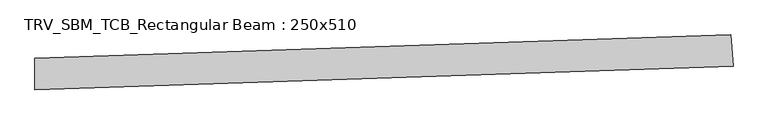
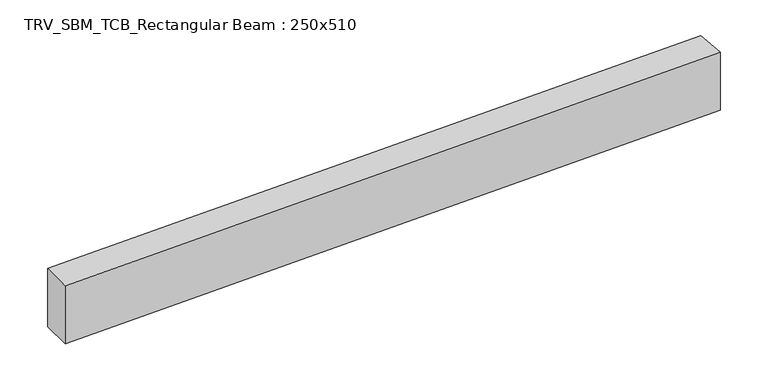
"""IFC4 building model written with IfcOpenShell, lengths in millimetres: beam geometry, TRV_SBM_TCB_Rectangular Beam : 250x510."""

from ifc_helpers import new_model, si_unit, point, frame, frame_2d, origin, place, context, project, spatial, polyline, circle_curve, trimmed, segment, composite_curve, outline, extrude, source, transform, mapped, element, save


def trv_sbm_tcb_rectangular_beam_250x510_24a732db(model_context):
    return source(origin(), model_context, "Body", "SweptSolid", [
        extrude(outline(composite_curve([segment(polyline([(5514.3377263, 311.6116887), (5531.23896, 62.1836464)]), True, "CONTINUOUS"), segment(trimmed(circle_curve(frame_2d((0.0, 81692.0891094)), 81817.0891094), [point((5531.23896, 62.1836464))], [point((-12.7201322, -124.9990112))], False, "CARTESIAN"), True, "CONTINUOUS"), segment(polyline([(-12.7201322, -124.9990112), (-12.6812646, 125.0009858)]), True, "CONTINUOUS"), segment(trimmed(circle_curve(frame_2d((0.0, 81692.0891094)), 81567.0891094), [point((-12.6812646, 125.0009858))], [point((5514.3377263, 311.6116887))], True, "CARTESIAN"), True, "CONTINUOUS")], self_intersect=False)), frame((0.0, 0.0, -255.0), z_axis=(0.0, 0.0, 1.0), x_axis=(1.0, 0.0, 0.0)), (0.0, 0.0, 1.0), 510.0),
    ])


if __name__ == "__main__":
    model = new_model("IFC4")
    model_context = context("Model", 3, world=origin())
    ifc_project = project(units=[si_unit("LENGTHUNIT", "METRE", prefix="MILLI")], contexts=[model_context])
    site = spatial("IfcSite", under=ifc_project)
    building = spatial("IfcBuilding", under=site)
    placement = place(None, origin())
    trv_sbm_tcb_rectangular_beam_250x510_shape = trv_sbm_tcb_rectangular_beam_250x510_24a732db(model_context)
    element("IfcBeam", 1, ObjectType="TRV_SBM_TCB_Rectangular Beam : 250x510", at=placement, inside=building, context=model_context, shape_type="MappedRepresentation", body=[
        mapped(trv_sbm_tcb_rectangular_beam_250x510_shape, transform((0.0, 0.0, 0.0), x_axis=(1.0, 0.0, 0.0), y_axis=(0.0, 1.0, 0.0), z_axis=(0.0, 0.0, 1.0))),
    ])
    save(model, "model.ifc")
